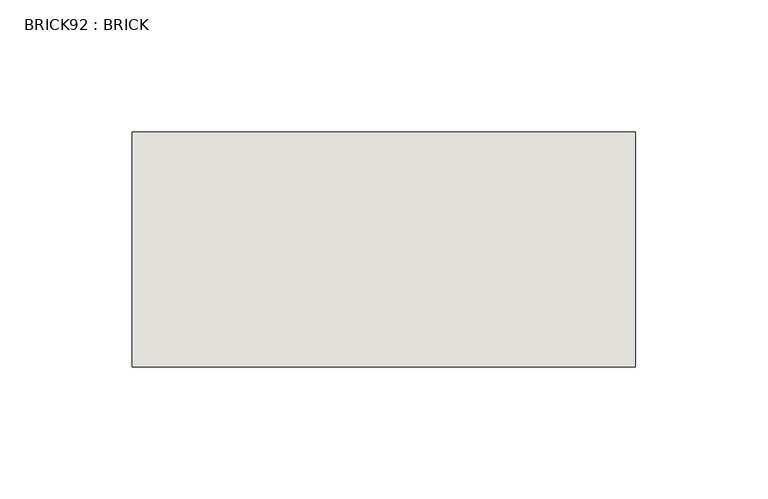
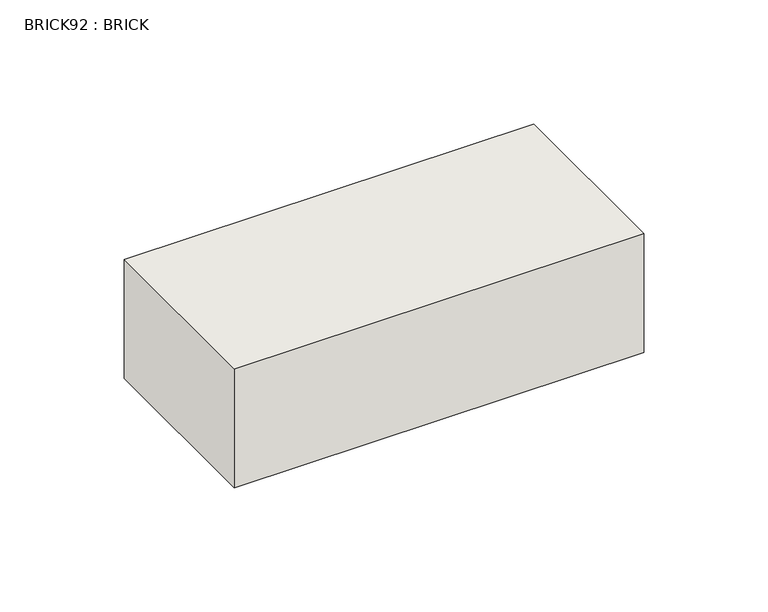
"""IFC4 building model written with IfcOpenShell, lengths in millimetres: wall geometry, BRICK92 : BRICK."""

from ifc_helpers import new_model, si_unit, frame, origin, place, context, project, spatial, polyline, outline, extrude, source, transform, mapped, element, save


def brick92_brick_3c37669c(model_context):
    return source(origin(), model_context, "Body", "SweptSolid", [
        extrude(outline(polyline([(1444.4530711, 2586.2274125), (1634.9530711, 2586.2274125), (1634.9530711, 2497.3274125), (1444.4530711, 2497.3274125), (1444.4530711, 2586.2274125)])), frame((0.0, 0.0, 353.7148438), z_axis=(0.0, 0.0, 1.0), x_axis=(1.0, 0.0, 0.0)), (0.0, 0.0, 1.0), 58.4398437),
    ])


if __name__ == "__main__":
    model = new_model("IFC4")
    model_context = context("Model", 3, world=origin())
    ifc_project = project(units=[si_unit("LENGTHUNIT", "METRE", prefix="MILLI")], contexts=[model_context])
    site = spatial("IfcSite", under=ifc_project)
    building = spatial("IfcBuilding", under=site)
    placement = place(None, origin())
    brick92_brick_shape = brick92_brick_3c37669c(model_context)
    element("IfcWall", 1, ObjectType="BRICK92 : BRICK", at=placement, inside=building, context=model_context, shape_type="MappedRepresentation", body=[
        mapped(brick92_brick_shape, transform((0.0, 0.0, 0.0), x_axis=(1.0, 0.0, 0.0), y_axis=(0.0, 1.0, 0.0), z_axis=(0.0, 0.0, 1.0))),
    ])
    save(model, "model.ifc")
